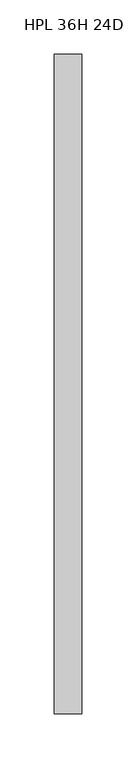
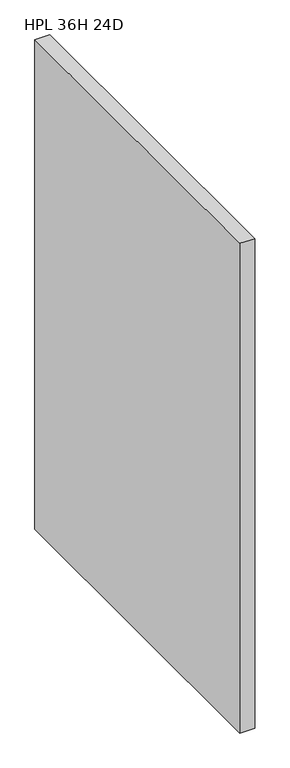
"""IFC4 building model written with IfcOpenShell, lengths in millimetres: furniture geometry, HPL 36H 24D."""

from ifc_helpers import new_model, si_unit, origin, origin_with_axes, place, context, project, spatial, polyline, outline, extrude, source, transform, mapped, element, save


def hpl_36h_24d_1c330cbf(model_context):
    return source(origin(), model_context, "Body", "SweptSolid", [
        extrude(outline(polyline([(25.4, 0.0), (25.4, -609.6), (0.0, -609.6), (0.0, 0.0), (25.4, 0.0)])), origin_with_axes(), (0.0, 0.0, 1.0), 889.0),
    ])


if __name__ == "__main__":
    model = new_model("IFC4")
    model_context = context("Model", 3, world=origin())
    ifc_project = project(units=[si_unit("LENGTHUNIT", "METRE", prefix="MILLI")], contexts=[model_context])
    site = spatial("IfcSite", under=ifc_project)
    building = spatial("IfcBuilding", under=site)
    placement = place(None, origin())
    hpl_36h_24d_shape = hpl_36h_24d_1c330cbf(model_context)
    element("IfcFurniture", 1, ObjectType="HPL 36H 24D", at=placement, inside=building, context=model_context, shape_type="MappedRepresentation", body=[
        mapped(hpl_36h_24d_shape, transform((0.0, 0.0, 0.0), x_axis=(1.0, 0.0, 0.0), y_axis=(0.0, 1.0, 0.0), z_axis=(0.0, 0.0, 1.0))),
    ])
    save(model, "model.ifc")
